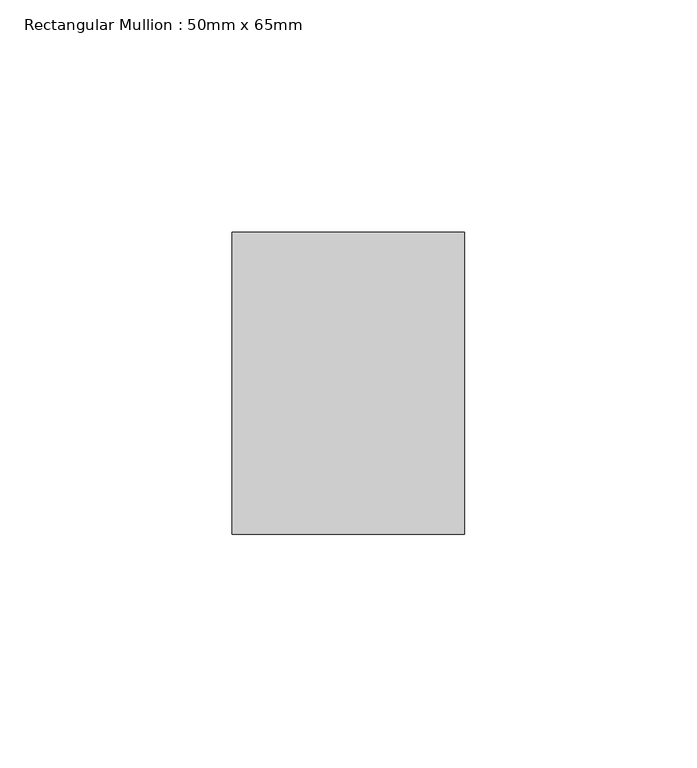
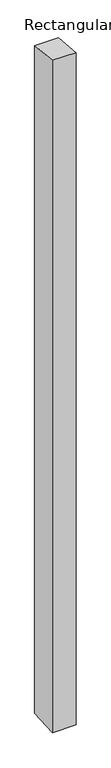
"""IFC4 building model written with IfcOpenShell, lengths in millimetres: member geometry, Rectangular Mullion : 50mm x 65mm."""

from ifc_helpers import new_model, si_unit, frame, origin, place, context, project, spatial, polyline, outline, extrude, source, transform, mapped, element, save


def rectangular_mullion_50mm_x_65mm_9376813c(model_context):
    return source(origin(), model_context, "Body", "SweptSolid", [
        extrude(outline(polyline([(-32.5, 3.1469348), (32.5, -3.1469348), (32.5, -1497.8334547), (-32.5, -1502.1654084), (-32.5, 3.1469348)])), frame((-25.0, 0.0, 0.0), z_axis=(1.0, 0.0, 0.0), x_axis=(0.0, 1.0, 0.0)), (0.0, 0.0, 1.0), 50.0),
    ])


if __name__ == "__main__":
    model = new_model("IFC4")
    model_context = context("Model", 3, world=origin())
    ifc_project = project(units=[si_unit("LENGTHUNIT", "METRE", prefix="MILLI")], contexts=[model_context])
    site = spatial("IfcSite", under=ifc_project)
    building = spatial("IfcBuilding", under=site)
    placement = place(None, origin())
    rectangular_mullion_50mm_x_65mm_shape = rectangular_mullion_50mm_x_65mm_9376813c(model_context)
    element("IfcMember", 1, ObjectType="Rectangular Mullion : 50mm x 65mm", at=placement, inside=building, context=model_context, shape_type="MappedRepresentation", body=[
        mapped(rectangular_mullion_50mm_x_65mm_shape, transform((0.0, 0.0, 0.0), x_axis=(1.0, 0.0, 0.0), y_axis=(0.0, 1.0, 0.0), z_axis=(0.0, 0.0, 1.0))),
    ])
    save(model, "model.ifc")
